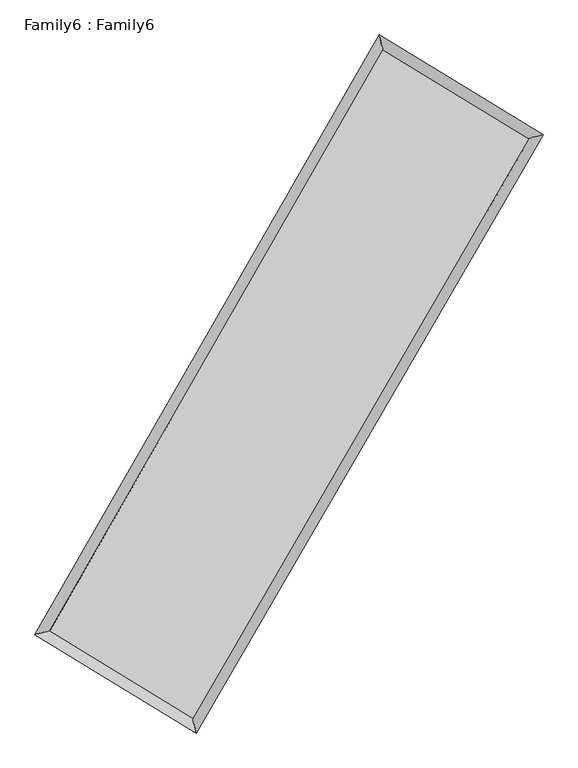
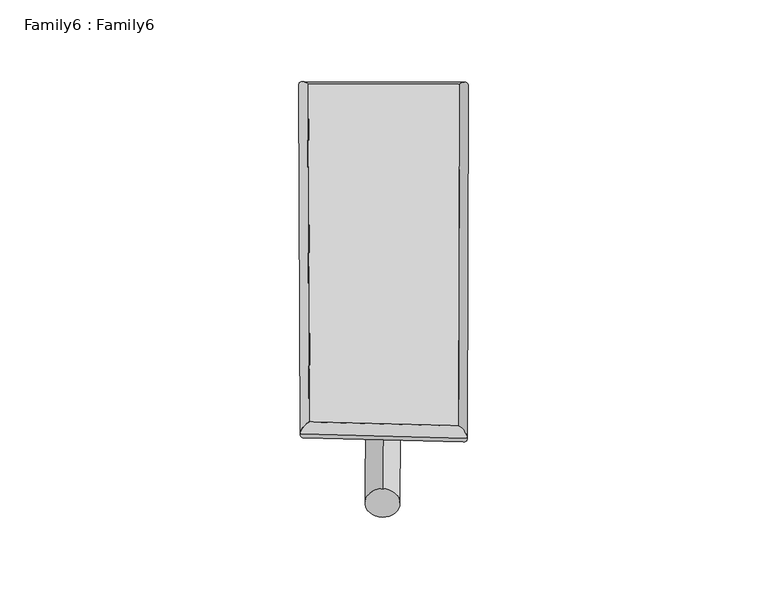
"""IFC4 building model written with IfcOpenShell, lengths in millimetres: plate geometry, Family6 : Family6."""

from ifc_helpers import new_model, si_unit, point, frame, origin, origin_2d, place, context, project, spatial, circle_curve, ellipse_curve, trimmed, segment, composite_curve, outline, extrude, source, transform, mapped, element, save
from ifc_brep_helpers import plane_surface, cylinder_surface, spline_surface, advanced_brep


def family6_family6_8905e743(model_context):
    return source(origin(), model_context, "Body", "SolidModel", [
        extrude(outline(composite_curve([segment(trimmed(circle_curve(origin_2d(), 76.2), [point((-75.4341515, -10.7763074))], [point((75.4341515, 10.7763074))], False, "CARTESIAN"), True, "CONTINUOUS"), segment(trimmed(circle_curve(origin_2d(), 76.2), [point((75.4341515, 10.7763074))], [point((-75.4341515, -10.7763074))], False, "CARTESIAN"), True, "CONTINUOUS")], self_intersect=False)), frame((9144.0, 9144.0, 0.0), z_axis=(0.6726525271243414, 0.6860319232106442, 0.27730628930686363), x_axis=(-0.678517359463006, 0.7213642556788107, -0.13873645352359823)), (0.0, 0.0, 1.0), 5555.4842743),
        extrude(outline(composite_curve([segment(trimmed(circle_curve(origin_2d(), 76.2), [point((-53.8815368, 53.8815367))], [point((53.8815368, -53.8815367))], False, "CARTESIAN"), True, "CONTINUOUS"), segment(trimmed(circle_curve(origin_2d(), 76.2), [point((53.8815368, -53.8815367))], [point((-53.8815368, 53.8815367))], False, "CARTESIAN"), True, "CONTINUOUS")], self_intersect=False)), frame((9144.0, 9144.0, 0.0), z_axis=(-0.6698597642865106, -0.6886185756539589, 0.27765509801610616), x_axis=(0.6453096742268329, -0.354990081754999, 0.6764299418305179)), (0.0, 0.0, 1.0), 5548.8387557),
        extrude(outline(composite_curve([segment(trimmed(circle_curve(origin_2d(), 76.2), [point((-53.8815367, -53.8815367))], [point((53.8815367, 53.8815367))], False, "CARTESIAN"), True, "CONTINUOUS"), segment(trimmed(circle_curve(origin_2d(), 76.2), [point((53.8815367, 53.8815367))], [point((-53.8815367, -53.8815367))], False, "CARTESIAN"), True, "CONTINUOUS")], self_intersect=False)), frame((9144.0, 9144.0, 0.0), z_axis=(0.26057447767706715, 0.927373165094959, 0.26847710190085405), x_axis=(-0.841867313848234, 0.35438442566297707, -0.4070271547716209)), (0.0, 0.0, 1.0), 5604.6715749),
        extrude(outline(composite_curve([segment(trimmed(circle_curve(origin_2d(), 76.2), [point((-75.4341514, 10.7763073))], [point((75.4341514, -10.7763073))], False, "CARTESIAN"), True, "CONTINUOUS"), segment(trimmed(circle_curve(origin_2d(), 76.2), [point((75.4341514, -10.7763073))], [point((-75.4341514, 10.7763073))], False, "CARTESIAN"), True, "CONTINUOUS")], self_intersect=False)), frame((9144.0, 9144.0, 0.0), z_axis=(-0.2640820228599622, -0.9263419539040767, 0.2686098837335813), x_axis=(0.8821676003370522, -0.11939378966839849, 0.455549610804559)), (0.0, 0.0, 1.0), 5600.6874653),
        advanced_brep(
        [(5221.116952, 5270.2721518, 1537.9839187), (5221.0807739, 5270.2165705, 1544.1855717), (5632.9954062, 5375.6609673, 1543.3428185), (10658.7153429, 14130.1376316, 1508.4581267), (10550.1533934, 14553.1064039, 1500.9938364), (5633.0315843, 5375.7165486, 1537.1411655), (12674.2827817, 12902.6495621, 1540.1946797), (13087.5382914, 13007.8295601, 1540.9467791), (7611.3098103, 4167.201037, 1505.0848089), (7718.6084392, 3744.4954234, 1503.7152089)],
        [
            (0, 1, ellipse_curve(frame((5427.0561791, 5322.9665595, 1540.6633686), z_axis=(-0.24796933589904663, 0.9687408601232421, 0.007235632762026952), x_axis=(-0.9686696195560067, -0.24804364461283684, 0.01239025893200684)), 212.6536639, 152.4)),
            (1, 2, ellipse_curve(frame((5427.0561791, 5322.9665595, 1540.6633686), z_axis=(-0.24796933589904663, 0.9687408601232421, 0.007235632762026952), x_axis=(-0.9686696195560067, -0.24804364461283684, 0.01239025893200684)), 212.6536639, 152.4)),
            (2, 3),
            (3, 4, ellipse_curve(frame((10604.4343682, 14341.6220177, 1504.7259815), z_axis=(-0.9685488623513487, -0.2487204496888235, -0.007158152310307629), x_axis=(0.24862768948744918, -0.9685272479016264, 0.011800088653655078)), 218.3744603, 152.4)),
            (4, 0),
            (2, 5, ellipse_curve(frame((5427.0561791, 5322.9665595, 1540.6633686), z_axis=(-0.24796933589904663, 0.9687408601232421, 0.007235632762026952), x_axis=(-0.9686696195560067, -0.24804364461283684, 0.01239025893200684)), 212.6536639, 152.4)),
            (5, 0, ellipse_curve(frame((5427.0561791, 5322.9665595, 1540.6633686), z_axis=(-0.24796933589904663, 0.9687408601232421, 0.007235632762026952), x_axis=(-0.9686696195560067, -0.24804364461283684, 0.01239025893200684)), 212.6536639, 152.4)),
            (4, 3, ellipse_curve(frame((10604.4343682, 14341.6220177, 1504.7259815), z_axis=(-0.9685488623513487, -0.2487204496888235, -0.007158152310307629), x_axis=(0.24862768948744918, -0.9685272479016264, 0.011800088653655078)), 218.3744603, 152.4)),
            (3, 6),
            (6, 7, ellipse_curve(frame((12880.9105365, 12955.2395611, 1540.5707294), z_axis=(-0.24663424248015575, 0.969083540972198, -0.006974313803226168), x_axis=(-0.9690153575817699, -0.24670396522483, -0.012099186461092853)), 213.2264732, 152.4)),
            (7, 4),
            (7, 6, ellipse_curve(frame((12880.9105365, 12955.2395611, 1540.5707294), z_axis=(-0.24663424248015575, 0.969083540972198, -0.006974313803226168), x_axis=(-0.9690153575817699, -0.24670396522483, -0.012099186461092853)), 213.2264732, 152.4)),
            (6, 8),
            (8, 9, ellipse_curve(frame((7664.9591248, 3955.8482302, 1504.4000089), z_axis=(0.9692286562993643, 0.2460507821319057, -0.007404351450761022), x_axis=(-0.24595270697272825, 0.9692063445634361, 0.012096594180562747)), 218.0658662, 152.4)),
            (9, 7),
            (9, 8, ellipse_curve(frame((7664.9591248, 3955.8482302, 1504.4000089), z_axis=(0.9692286562993643, 0.2460507821319057, -0.007404351450761022), x_axis=(-0.24595270697272825, 0.9692063445634361, 0.012096594180562747)), 218.0658662, 152.4)),
            (8, 5),
            (1, 9),
        ],
        [
            cylinder_surface(frame((5427.0561791, 5322.9665595, 1540.6633686), z_axis=(-0.49786468361447833, -0.8672478390245867, 0.0034557946466796507), x_axis=(-0.8670988401491881, 0.4976956950890102, -0.020942695666979115)), 152.4),
            cylinder_surface(frame((10604.4343682, 14341.6220177, 1504.7259815), z_axis=(-0.8540044536067498, 0.5200918897482425, -0.013446911836514672), x_axis=(0.5202319717477392, 0.853958096311048, -0.010689495604122093)), 152.4),
            cylinder_surface(frame((12880.9105365, 12955.2395611, 1540.5707294), z_axis=(0.5014491823335522, 0.8651801115689871, 0.003477367177529834), x_axis=(0.8651865946332297, -0.5014491823335522, -0.0009348817934687339)), 152.4),
            cylinder_surface(frame((7664.9591248, 3955.8482302, 1504.4000089), z_axis=(0.8532832181487428, -0.5212643961682378, -0.013826746294324961), x_axis=(-0.5211759754612121, -0.8533946107658459, 0.009656133691311788)), 152.4),
        ],
        [
            (0, [[1, 2, 3, 4, 5]]),
            (0, [[6, 7, -5, 8, -3]]),
            (1, [[-4, 9, 10, 11]]),
            (1, [[-8, -11, 12, -9]]),
            (2, [[-10, 13, 14, 15]]),
            (2, [[-12, -15, 16, -13]]),
            (3, [[-14, 17, -6, -2, 18]]),
            (3, [[-16, -18, -1, -7, -17]]),
        ],
    ),
        extrude(outline(composite_curve([segment(trimmed(circle_curve(origin_2d(), 304.8), [point((0.0, 304.8))], [point((0.0, -304.8))], False, "CARTESIAN"), True, "CONTINUOUS"), segment(trimmed(circle_curve(origin_2d(), 304.8), [point((0.0, -304.8))], [point((0.0, 304.8))], False, "CARTESIAN"), True, "CONTINUOUS")], self_intersect=False)), frame((11769.8828553, 13653.8321326, -0.0083126), z_axis=(-0.503177083937241, -0.864183326729854, 1.5928711672979203e-06), x_axis=(-0.864183326731215, 0.5031770839372409, -4.2994498317644514e-07)), (0.0, 0.0, 1.0), 10437.2116265),
        advanced_brep(
        [(5427.0561791, 5322.9665595, 1540.6633686), (7664.9591248, 3955.8482302, 1504.4000089), (7664.9539787, 3955.8491182, 1656.8000088), (5427.051033, 5322.9674476, 1693.0633685), (12880.9105365, 12955.2395611, 1540.5707294), (12880.9053905, 12955.2404491, 1692.9707293), (10604.4343682, 14341.6220177, 1504.7259815), (10604.4292221, 14341.6229058, 1657.1259814)],
        [
            (0, 1),
            (1, 2),
            (2, 3),
            (3, 0),
            (1, 4),
            (4, 5),
            (5, 2),
            (4, 6),
            (6, 7),
            (7, 5),
            (6, 0),
            (3, 7),
        ],
        [
            plane_surface(frame((6546.0076519, 4639.4073949, 1522.5316887), z_axis=(-0.5213143796975689, -0.8533647036062654, -1.2630516737612354e-05), x_axis=(0.853283218148743, -0.5212643961682374, -0.013826746294324978))),
            plane_surface(frame((10272.9348306, 8455.5438956, 1522.4853692), z_axis=(0.8651852860464282, -0.5014523105700129, 3.213652259505956e-05), x_axis=(0.5014491823335517, 0.8651801115689873, 0.003477367177529827))),
            plane_surface(frame((11742.6724524, 13648.4307894, 1522.6483555), z_axis=(0.5201387728787227, 0.8540817623563878, 1.2586641924992523e-05), x_axis=(-0.8540044536067496, 0.5200918897482425, -0.013446911836514674))),
            plane_surface(frame((8015.7452736, 9832.2942886, 1522.6946751), z_axis=(-0.8672530725589668, 0.49786755979992103, -3.2185456582928696e-05), x_axis=(-0.4978646836144784, -0.8672478390245866, 0.00345579464667965))),
            spline_surface(1, 1, [[(7664.9539787, 3955.8491182, 1656.8000088), (5427.051033, 5322.9674476, 1693.0633685)], [(12880.9053905, 12955.2404491, 1692.9707293), (10604.4292221, 14341.6229058, 1657.1259814)]], [2, 2], [2, 2], [0.0, 1.0], [0.0, 1.0]),
            spline_surface(1, 1, [[(10604.4343682, 14341.6220177, 1504.7259815), (5427.0561791, 5322.9665595, 1540.6633686)], [(12880.9105365, 12955.2395611, 1540.5707294), (7664.9591248, 3955.8482302, 1504.4000089)]], [2, 2], [2, 2], [0.0, 1.0], [0.0, 1.0]),
        ],
        [
            (0, [[1, 2, 3, 4]]),
            (1, [[5, 6, 7, -2]]),
            (2, [[8, 9, 10, -6]]),
            (3, [[11, -4, 12, -9]]),
            (4, [[-3, -7, -10, -12]]),
            (5, [[-11, -8, -5, -1]]),
        ],
    ),
    ])


if __name__ == "__main__":
    model = new_model("IFC4")
    model_context = context("Model", 3, world=origin())
    ifc_project = project(units=[si_unit("LENGTHUNIT", "METRE", prefix="MILLI")], contexts=[model_context])
    site = spatial("IfcSite", under=ifc_project)
    building = spatial("IfcBuilding", under=site)
    placement = place(None, origin())
    family6_family6_shape = family6_family6_8905e743(model_context)
    element("IfcPlate", 1, ObjectType="Family6 : Family6", at=placement, inside=building, context=model_context, shape_type="MappedRepresentation", body=[
        mapped(family6_family6_shape, transform((0.0, 0.0, 0.0), x_axis=(1.0, 0.0, 0.0), y_axis=(0.0, 1.0, 0.0), z_axis=(0.0, 0.0, 1.0))),
    ])
    save(model, "model.ifc")
